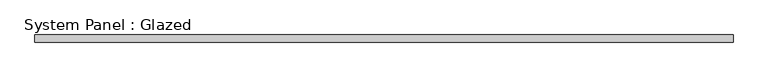
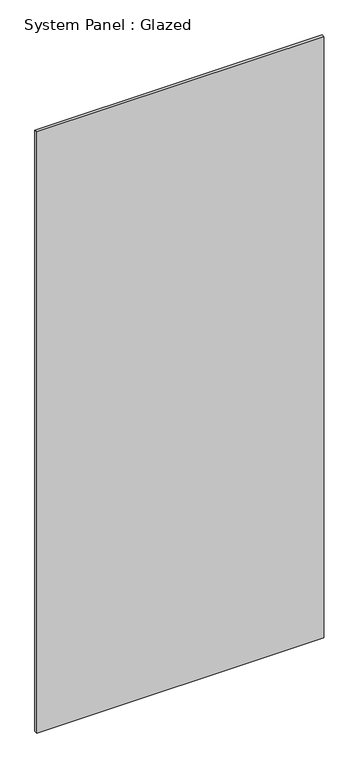
"""IFC4 building model written with IfcOpenShell, lengths in millimetres: plate geometry, System Panel : Glazed."""

from ifc_helpers import new_model, si_unit, origin, origin_with_axes, place, context, project, spatial, polyline, outline, extrude, source, transform, mapped, element, save


def system_panel_glazed_afe7585c(model_context):
    return source(origin(), model_context, "Body", "SweptSolid", [
        extrude(outline(polyline([(585.3175451, 25.4), (-585.3175451, 25.4), (-585.3175451, 38.1), (585.3175451, 38.1), (585.3175451, 25.4)])), origin_with_axes(), (0.0, 0.0, 1.0), 2590.8),
    ])


if __name__ == "__main__":
    model = new_model("IFC4")
    model_context = context("Model", 3, world=origin())
    ifc_project = project(units=[si_unit("LENGTHUNIT", "METRE", prefix="MILLI")], contexts=[model_context])
    site = spatial("IfcSite", under=ifc_project)
    building = spatial("IfcBuilding", under=site)
    placement = place(None, origin())
    system_panel_glazed_shape = system_panel_glazed_afe7585c(model_context)
    element("IfcPlate", 1, ObjectType="System Panel : Glazed", at=placement, inside=building, context=model_context, shape_type="MappedRepresentation", body=[
        mapped(system_panel_glazed_shape, transform((0.0, 0.0, 0.0), x_axis=(1.0, 0.0, 0.0), y_axis=(0.0, 1.0, 0.0), z_axis=(0.0, 0.0, 1.0))),
    ])
    save(model, "model.ifc")
